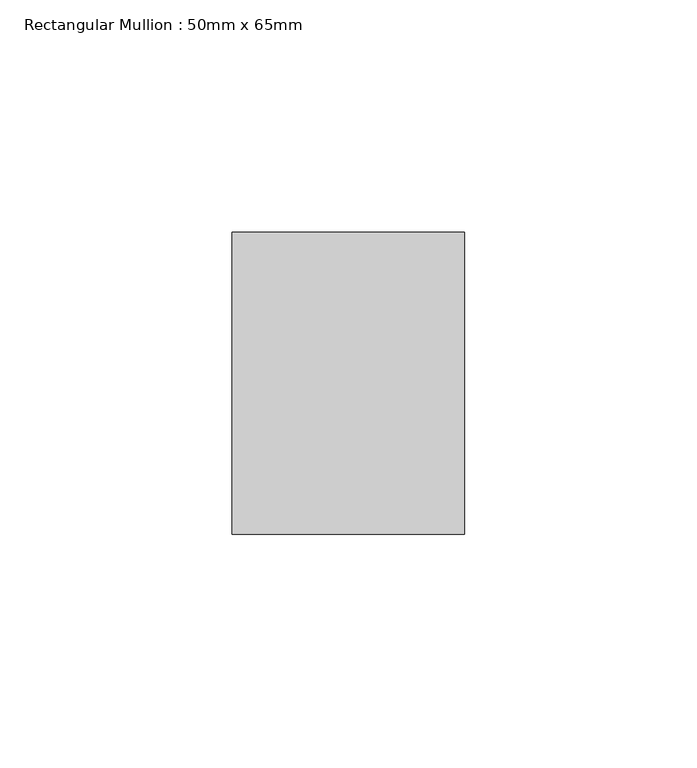
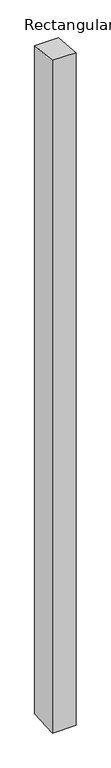
"""IFC4 building model written with IfcOpenShell, lengths in millimetres: member geometry, Rectangular Mullion : 50mm x 65mm."""

from ifc_helpers import new_model, si_unit, origin, place, context, project, spatial, faceted_brep, source, transform, mapped, element, save


def rectangular_mullion_50mm_x_65mm_aad9fbc9(model_context):
    return source(origin(), model_context, "Body", "Brep", [
        faceted_brep([(-25.0, 32.5, -3.1469369), (25.0, 32.5, -3.1469377), (25.0, 32.5, -1497.8334316), (-25.0, 32.5, -1497.8334321), (-25.0, -32.5, 3.1469377), (-25.0, -32.5, -1502.1653885), (25.0, -32.5, 3.1469369), (25.0, -32.5, -1502.165388)], [[[0, 1, 2, 3]], [[4, 0, 3, 5]], [[6, 4, 5, 7]], [[1, 6, 7, 2]], [[1, 0, 4, 6]], [[2, 7, 5, 3]]]),
    ])


if __name__ == "__main__":
    model = new_model("IFC4")
    model_context = context("Model", 3, world=origin())
    ifc_project = project(units=[si_unit("LENGTHUNIT", "METRE", prefix="MILLI")], contexts=[model_context])
    site = spatial("IfcSite", under=ifc_project)
    building = spatial("IfcBuilding", under=site)
    placement = place(None, origin())
    rectangular_mullion_50mm_x_65mm_shape = rectangular_mullion_50mm_x_65mm_aad9fbc9(model_context)
    element("IfcMember", 1, ObjectType="Rectangular Mullion : 50mm x 65mm", at=placement, inside=building, context=model_context, shape_type="MappedRepresentation", body=[
        mapped(rectangular_mullion_50mm_x_65mm_shape, transform((0.0, 0.0, 0.0), x_axis=(1.0, 0.0, 0.0), y_axis=(0.0, 1.0, 0.0), z_axis=(0.0, 0.0, 1.0))),
    ])
    save(model, "model.ifc")
